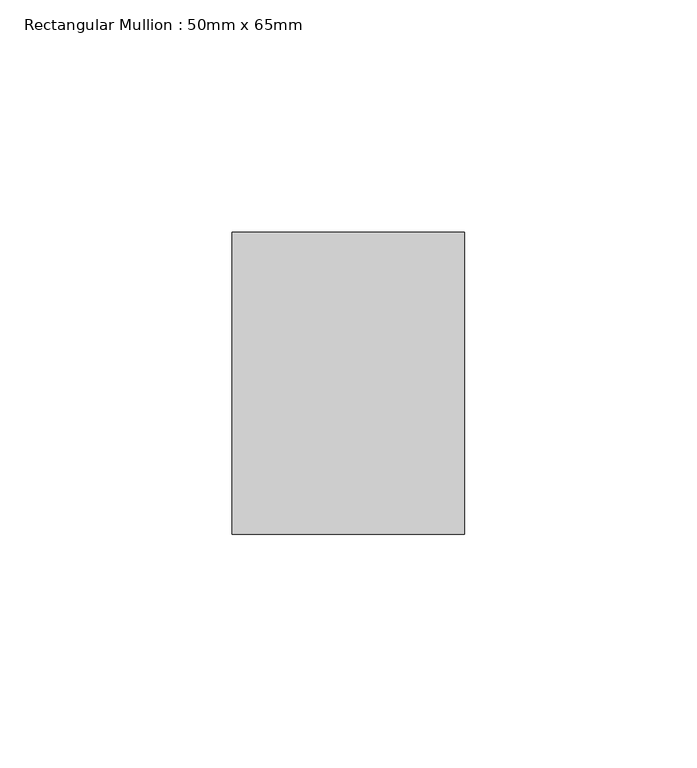
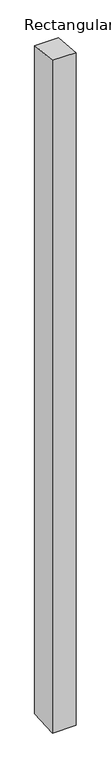
"""IFC4 building model written with IfcOpenShell, lengths in millimetres: member geometry, Rectangular Mullion : 50mm x 65mm."""

from ifc_helpers import new_model, si_unit, frame, origin, place, context, project, spatial, polyline, outline, extrude, source, transform, mapped, element, save


def rectangular_mullion_50mm_x_65mm_200891f7(model_context):
    return source(origin(), model_context, "Body", "SweptSolid", [
        extrude(outline(polyline([(-32.5, 3.1469342), (32.5, -3.1469341), (32.5, -1497.8334606), (-32.5, -1502.1654136), (-32.5, 3.1469342)])), frame((-25.0, 0.0, 0.0), z_axis=(1.0, 0.0, 0.0), x_axis=(0.0, 1.0, 0.0)), (0.0, 0.0, 1.0), 50.0),
    ])


if __name__ == "__main__":
    model = new_model("IFC4")
    model_context = context("Model", 3, world=origin())
    ifc_project = project(units=[si_unit("LENGTHUNIT", "METRE", prefix="MILLI")], contexts=[model_context])
    site = spatial("IfcSite", under=ifc_project)
    building = spatial("IfcBuilding", under=site)
    placement = place(None, origin())
    rectangular_mullion_50mm_x_65mm_shape = rectangular_mullion_50mm_x_65mm_200891f7(model_context)
    element("IfcMember", 1, ObjectType="Rectangular Mullion : 50mm x 65mm", at=placement, inside=building, context=model_context, shape_type="MappedRepresentation", body=[
        mapped(rectangular_mullion_50mm_x_65mm_shape, transform((0.0, 0.0, 0.0), x_axis=(1.0, 0.0, 0.0), y_axis=(0.0, 1.0, 0.0), z_axis=(0.0, 0.0, 1.0))),
    ])
    save(model, "model.ifc")
